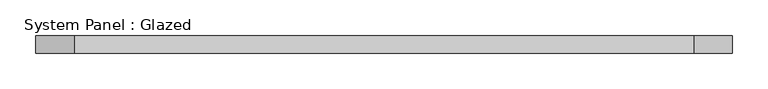
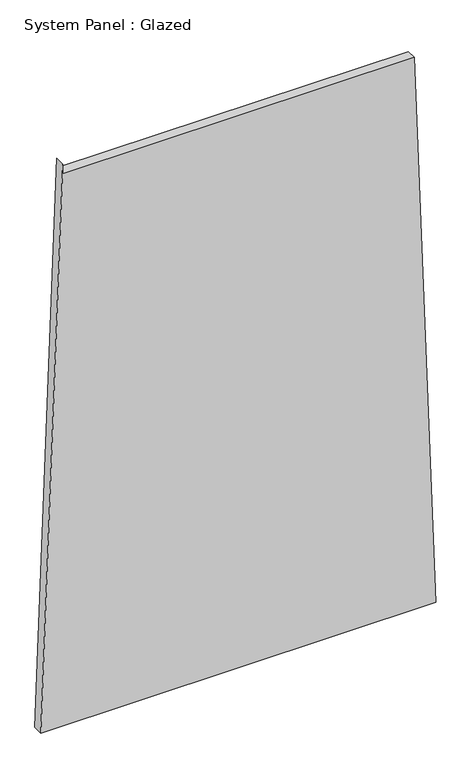
"""IFC4 building model written with IfcOpenShell, lengths in millimetres: plate geometry, System Panel : Glazed."""

import ifcopenshell
import ifcopenshell.guid

model = None  # the IFC model being written
_history = None  # IfcOwnerHistory: only IFC2X3 demands one
_inside = {}  # id of a spatial element -> (the spatial element, [elements in it])
_under = {}  # id of a project, library or spatial element -> (it, [spatial elements below it])
_declared = {}  # id of a project -> (the project, [libraries it declares])
_typed = {}  # id of a type object -> (the type object, [elements of that type])
_made_of = {}  # id of a material, layer set ... -> (it, [elements and type objects made of it])


def new_model(schema):
    """Start an empty IFC model of exactly this schema.

    Asked for "IFC4X3", IfcOpenShell would pick the latest addendum, in which some entities
    have other attributes; the version numbers below select the first issue.
    IFC2X3 requires an IfcOwnerHistory on every rooted entity: one is made here for all.
    """
    global model, _history
    if schema == "IFC4X3":
        model = ifcopenshell.file(schema_version=(4, 3, 0, 0))
    else:
        model = ifcopenshell.file(schema=schema)
    _inside.clear()
    _under.clear()
    _declared.clear()
    _typed.clear()
    _made_of.clear()
    _history = None
    if model.schema == "IFC2X3":
        org = make("IfcOrganization", Name="unknown")
        user = make(
            "IfcPersonAndOrganization",
            ThePerson=make("IfcPerson", FamilyName="unknown"),
            TheOrganization=org,
        )
        app = make(
            "IfcApplication",
            ApplicationDeveloper=org,
            Version="unknown",
            ApplicationFullName="unknown",
            ApplicationIdentifier="unknown",
        )
        _history = make(
            "IfcOwnerHistory",
            OwningUser=user,
            OwningApplication=app,
            ChangeAction="ADDED",
            CreationDate=0,
        )
    return model


def make(cls, **values):
    """One entity of the class cls with the attributes given. An attribute that is None is left unset."""
    return model.create_entity(
        cls, **{name: value for name, value in values.items() if value is not None}
    )


def rooted(cls, **values):
    """An entity with a GlobalId (a new one), such as an element, a storey or a relation."""
    return make(cls, GlobalId=ifcopenshell.guid.new(), OwnerHistory=_history, **values)


def si_unit(unit_type, name, prefix=None):
    """IfcSIUnit, for example si_unit("LENGTHUNIT", "METRE", prefix="MILLI")."""
    return make("IfcSIUnit", UnitType=unit_type, Prefix=prefix, Name=name)


def assignment(units):
    """IfcUnitAssignment: the units of a project."""
    return None if units is None else make("IfcUnitAssignment", Units=units)


def point(xyz):
    """IfcCartesianPoint."""
    return None if xyz is None else make("IfcCartesianPoint", Coordinates=xyz)


def direction(xyz):
    """IfcDirection."""
    return None if xyz is None else make("IfcDirection", DirectionRatios=xyz)


def frame(location, z_axis=None, x_axis=None):
    """IfcAxis2Placement3D, a coordinate frame: its origin and axes. An axis left out is left unset."""
    return make(
        "IfcAxis2Placement3D",
        Location=point(location),
        Axis=direction(z_axis),
        RefDirection=direction(x_axis),
    )


def origin():
    """The frame at (0, 0, 0) with its axes left unset."""
    return frame((0.0, 0.0, 0.0))


def place(relative_to, where):
    """IfcLocalPlacement: puts the frame where relative to a parent placement (None: the world)."""
    return make(
        "IfcLocalPlacement", PlacementRelTo=relative_to, RelativePlacement=where
    )


def context(
    kind, dimensions, precision=None, world=None, true_north=None, identifier=None
):
    """IfcGeometricRepresentationContext, for example the 3D "Model" context."""
    return make(
        "IfcGeometricRepresentationContext",
        ContextIdentifier=identifier,
        ContextType=kind,
        CoordinateSpaceDimension=dimensions,
        Precision=precision,
        WorldCoordinateSystem=world,
        TrueNorth=true_north,
    )


def project(units=None, contexts=None):
    """IfcProject with its units and contexts."""
    return rooted(
        "IfcProject",
        Name="project",
        RepresentationContexts=contexts,
        UnitsInContext=assignment(units),
    )


def spatial(cls, under=None, at=None, **own):
    """A site, building, storey or space (cls), placed at a placement, below another one or the project."""
    s = rooted(cls, ObjectPlacement=at, **own)
    if under is not None:
        _under.setdefault(under.id(), (under, []))[1].append(s)
    return s


def polyline(points):
    """IfcPolyline through the points."""
    return make("IfcPolyline", Points=[point(p) for p in points])


def outline(outer, holes=None, kind="AREA"):
    """IfcArbitraryClosedProfileDef: a profile drawn as a closed curve; with holes, ...WithVoids."""
    if holes is None:
        return make("IfcArbitraryClosedProfileDef", ProfileType=kind, OuterCurve=outer)
    return make(
        "IfcArbitraryProfileDefWithVoids",
        ProfileType=kind,
        OuterCurve=outer,
        InnerCurves=holes,
    )


def extrude(swept, where, along, depth):
    """IfcExtrudedAreaSolid: the profile swept, set in the frame where, extruded along a direction by depth."""
    return make(
        "IfcExtrudedAreaSolid",
        SweptArea=swept,
        Position=where,
        ExtrudedDirection=direction(along),
        Depth=depth,
    )


def shape(context_of_items, identifier, shape_type, items):
    """IfcShapeRepresentation: the items that make up one representation, for example the "Body"."""
    return make(
        "IfcShapeRepresentation",
        ContextOfItems=context_of_items,
        RepresentationIdentifier=identifier,
        RepresentationType=shape_type,
        Items=items,
    )


def source(mapping_origin, context_of_items, identifier, shape_type, items):
    """IfcRepresentationMap: a shape defined once, which mapped items show again and again."""
    return make(
        "IfcRepresentationMap",
        MappingOrigin=mapping_origin,
        MappedRepresentation=shape(context_of_items, identifier, shape_type, items),
    )


def transform(
    local_origin,
    x_axis=None,
    y_axis=None,
    z_axis=None,
    scale=None,
    scale2=None,
    scale3=None,
    uniform=True,
):
    """IfcCartesianTransformationOperator3D, or its non-uniform kind. x_axis, y_axis, z_axis: its Axis1, 2, 3."""
    if uniform:
        return make(
            "IfcCartesianTransformationOperator3D",
            Axis1=direction(x_axis),
            Axis2=direction(y_axis),
            LocalOrigin=point(local_origin),
            Scale=scale,
            Axis3=direction(z_axis),
        )
    return make(
        "IfcCartesianTransformationOperator3DnonUniform",
        Axis1=direction(x_axis),
        Axis2=direction(y_axis),
        LocalOrigin=point(local_origin),
        Scale=scale,
        Axis3=direction(z_axis),
        Scale2=scale2,
        Scale3=scale3,
    )


def mapped(mapping_source, mapping_target):
    """IfcMappedItem: shows the shape of a source again, moved by a transform."""
    return make(
        "IfcMappedItem", MappingSource=mapping_source, MappingTarget=mapping_target
    )


def made_of(thing, what):
    """Note that an element or type object is made of a material, layer set ...; save() writes the relation."""
    if what is not None:
        _made_of.setdefault(what.id(), (what, []))[1].append(thing)
    return thing


def element(
    cls,
    number,
    at=None,
    inside=None,
    cuts=None,
    type_object=None,
    material=None,
    context=None,
    identifier="Body",
    shape_type=None,
    held_by="IfcProductDefinitionShape",
    body=None,
    shapes=None,
    **own,
):
    """One element of the class cls, such as IfcWall. Its Tag is "e" and its number.

    at: its placement. inside: the storey or other place that contains it. cuts: it is an
    opening in that element (IfcRelVoidsElement). A single representation is given by context,
    identifier, shape_type and body (its items); several are given by shapes. held_by: the class
    of the entity that holds the representations. save() writes the other relations.
    """
    e = rooted(cls, Tag="e%d" % number, ObjectPlacement=at, **own)
    if body is not None:
        shapes = [shape(context, identifier, shape_type, body)]
    if shapes is not None:
        e.Representation = make(held_by, Representations=shapes)
    if inside is not None:
        _inside.setdefault(inside.id(), (inside, []))[1].append(e)
    if cuts is not None:
        rooted(
            "IfcRelVoidsElement", RelatingBuildingElement=cuts, RelatedOpeningElement=e
        )
    if type_object is not None:
        _typed.setdefault(type_object.id(), (type_object, []))[1].append(e)
    return made_of(e, material)


def aggregate(whole, parts):
    """IfcRelAggregates: a whole, such as a stair, and the parts it consists of."""
    return rooted("IfcRelAggregates", RelatingObject=whole, RelatedObjects=parts)


def save(model, path):
    """Write the relations noted so far, then the file.

    IfcRelAggregates (storeys below a building ...), IfcRelContainedInSpatialStructure (elements
    in a storey), IfcRelDefinesByType, IfcRelAssociatesMaterial and IfcRelDeclares: one each for
    every whole, place, type object, material and project.
    """
    for whole, parts in _under.values():
        aggregate(whole, parts)
    for where, things in _inside.values():
        rooted(
            "IfcRelContainedInSpatialStructure",
            RelatedElements=things,
            RelatingStructure=where,
        )
    for kind, things in _typed.values():
        rooted("IfcRelDefinesByType", RelatedObjects=things, RelatingType=kind)
    for what, things in _made_of.values():
        rooted("IfcRelAssociatesMaterial", RelatedObjects=things, RelatingMaterial=what)
    for by, libraries in _declared.values():
        rooted("IfcRelDeclares", RelatingContext=by, RelatedDefinitions=libraries)
    model.write(path)


def system_panel_glazed_50451a20(model_context):
    return source(origin(), model_context, "Body", "SweptSolid", [
        extrude(outline(polyline([(0.0, -490.4473763), (0.0, 490.4473763), (1448.9723141, 436.7814718), (1448.9724247, -435.8520781), (1473.9724247, -435.8520749), (0.0, -490.4473763)])), frame((0.0, -49.5, 0.0), z_axis=(0.0, 1.0, 0.0), x_axis=(0.0, 0.0, 1.0)), (0.0, 0.0, 1.0), 25.0),
    ])


if __name__ == "__main__":
    model = new_model("IFC4")
    model_context = context("Model", 3, world=origin())
    ifc_project = project(units=[si_unit("LENGTHUNIT", "METRE", prefix="MILLI")], contexts=[model_context])
    site = spatial("IfcSite", under=ifc_project)
    building = spatial("IfcBuilding", under=site)
    placement = place(None, origin())
    system_panel_glazed_shape = system_panel_glazed_50451a20(model_context)
    element("IfcPlate", 1, ObjectType="System Panel : Glazed", at=placement, inside=building, context=model_context, shape_type="MappedRepresentation", body=[
        mapped(system_panel_glazed_shape, transform((0.0, 0.0, 0.0), x_axis=(1.0, 0.0, 0.0), y_axis=(0.0, 1.0, 0.0), z_axis=(0.0, 0.0, 1.0))),
    ])
    save(model, "model.ifc")
